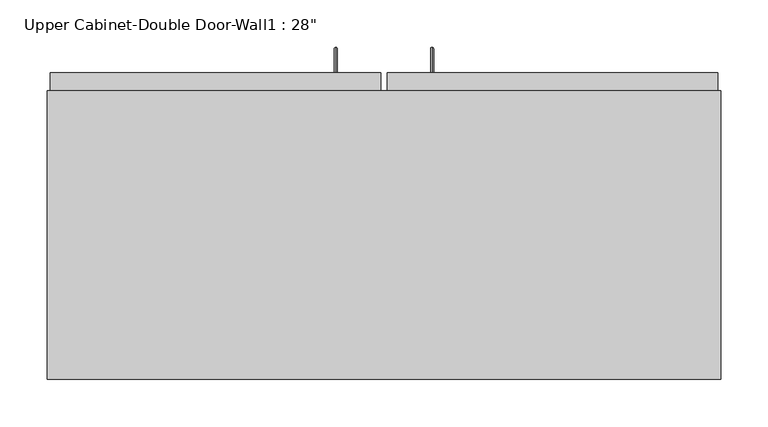
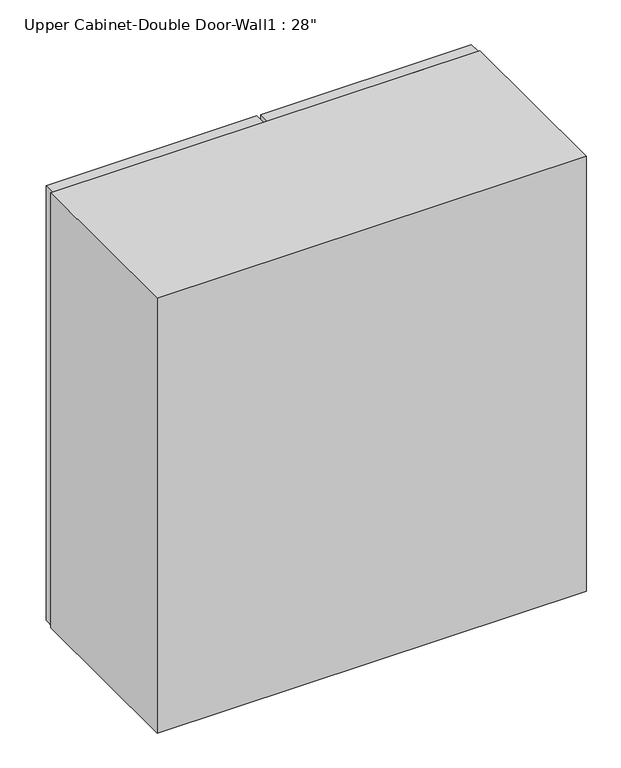
"""IFC4 building model written with IfcOpenShell, lengths in millimetres: furniture geometry."""

from ifc_helpers import new_model, si_unit, frame, origin, place, context, project, spatial, polyline, circle_curve, ellipse_curve, outline, extrude, faceted_brep, source, transform, mapped, element, save
from ifc_brep_helpers import plane_surface, cylinder_surface, advanced_brep


def furniture_48327c99(model_context):
    return source(origin(), model_context, "Body", "SolidModel", [
        advanced_brep(
        [(80.5132081, 385.7625, 1425.575), (80.5132081, 385.7625, 1422.4), (80.5132081, 409.575, 1425.575), (80.5132081, 412.75, 1422.4), (80.5132081, 409.575, 1597.025), (80.5132081, 412.75, 1600.2), (80.5132081, 385.7625, 1597.025), (80.5132081, 385.7625, 1600.2)],
        [
            (0, 1, circle_curve(frame((80.5132081, 385.7625, 1423.9875), z_axis=(0.0, -1.0, 0.0), x_axis=(0.0, 0.0, -1.0)), 1.5875)),
            (1, 0, circle_curve(frame((80.5132081, 385.7625, 1423.9875), z_axis=(0.0, -1.0, 0.0), x_axis=(0.0, 0.0, -1.0)), 1.5875)),
            (0, 2),
            (2, 3, ellipse_curve(frame((80.5132081, 411.1625, 1423.9875), z_axis=(0.0, -0.7071067811865536, -0.7071067811865416), x_axis=(0.0, -0.7071067811865415, 0.7071067811865536)), 2.245064, 1.5875)),
            (3, 1),
            (3, 2, ellipse_curve(frame((80.5132081, 411.1625, 1423.9875), z_axis=(0.0, -0.7071067811865536, -0.7071067811865416), x_axis=(0.0, -0.7071067811865415, 0.7071067811865536)), 2.245064, 1.5875)),
            (2, 4),
            (4, 5, ellipse_curve(frame((80.5132081, 411.1625, 1598.6125), z_axis=(0.0, 0.7071067811865415, -0.7071067811865535), x_axis=(0.0, -0.7071067811865533, -0.7071067811865418)), 2.245064, 1.5875)),
            (5, 3),
            (5, 4, ellipse_curve(frame((80.5132081, 411.1625, 1598.6125), z_axis=(0.0, 0.7071067811865415, -0.7071067811865535), x_axis=(0.0, -0.7071067811865533, -0.7071067811865418)), 2.245064, 1.5875)),
            (6, 7, circle_curve(frame((80.5132081, 385.7625, 1598.6125), z_axis=(0.0, -1.0, 0.0), x_axis=(0.0, 0.0, 1.0)), 1.5875)),
            (7, 6, circle_curve(frame((80.5132081, 385.7625, 1598.6125), z_axis=(0.0, -1.0, 0.0), x_axis=(0.0, 0.0, 1.0)), 1.5875)),
            (4, 6),
            (7, 5),
        ],
        [
            plane_surface(frame((80.5132081, 385.7625, 1423.9875), z_axis=(0.0, -1.0, 0.0), x_axis=(-1.0, 0.0, 0.0))),
            cylinder_surface(frame((80.5132081, 385.7625, 1423.9875), z_axis=(0.0, -1.0, 0.0), x_axis=(0.0, 0.0, -1.0)), 1.5875),
            cylinder_surface(frame((80.5132081, 411.1625, 1423.9875), z_axis=(0.0, 0.0, -1.0), x_axis=(0.0, 1.0, 0.0)), 1.5875),
            plane_surface(frame((80.5132081, 385.7625, 1598.6125), z_axis=(0.0, -1.0, 0.0), x_axis=(-1.0, 0.0, 0.0))),
            cylinder_surface(frame((80.5132081, 411.1625, 1598.6125), z_axis=(0.0, 1.0, 0.0), x_axis=(0.0, 0.0, 1.0)), 1.5875),
        ],
        [
            (0, [[1, 2]]),
            (1, [[-1, 3, 4, 5]]),
            (1, [[-2, -5, 6, -3]]),
            (2, [[-4, 7, 8, 9]]),
            (2, [[-6, -9, 10, -7]]),
            (3, [[11, 12]]),
            (4, [[-8, 13, -12, 14]]),
            (4, [[-10, -14, -11, -13]]),
        ],
    ),
        advanced_brep(
        [(-21.0867919, 385.7625, 1425.575), (-21.0867919, 385.7625, 1422.4), (-21.0867919, 409.575, 1425.575), (-21.0867919, 412.75, 1422.4), (-21.0867919, 409.575, 1597.025), (-21.0867919, 412.75, 1600.2), (-21.0867919, 385.7625, 1597.025), (-21.0867919, 385.7625, 1600.2)],
        [
            (0, 1, circle_curve(frame((-21.0867919, 385.7625, 1423.9875), z_axis=(0.0, -1.0, 0.0), x_axis=(0.0, 0.0, -1.0)), 1.5875)),
            (1, 0, circle_curve(frame((-21.0867919, 385.7625, 1423.9875), z_axis=(0.0, -1.0, 0.0), x_axis=(0.0, 0.0, -1.0)), 1.5875)),
            (0, 2),
            (2, 3, ellipse_curve(frame((-21.0867919, 411.1625, 1423.9875), z_axis=(0.0, -0.7071067811865536, -0.7071067811865414), x_axis=(0.0, -0.7071067811865416, 0.7071067811865535)), 2.245064, 1.5875)),
            (3, 1),
            (3, 2, ellipse_curve(frame((-21.0867919, 411.1625, 1423.9875), z_axis=(0.0, -0.7071067811865536, -0.7071067811865414), x_axis=(0.0, -0.7071067811865416, 0.7071067811865535)), 2.245064, 1.5875)),
            (2, 4),
            (4, 5, ellipse_curve(frame((-21.0867919, 411.1625, 1598.6125), z_axis=(0.0, 0.7071067811865415, -0.7071067811865535), x_axis=(0.0, -0.7071067811865533, -0.7071067811865416)), 2.245064, 1.5875)),
            (5, 3),
            (5, 4, ellipse_curve(frame((-21.0867919, 411.1625, 1598.6125), z_axis=(0.0, 0.7071067811865415, -0.7071067811865535), x_axis=(0.0, -0.7071067811865533, -0.7071067811865416)), 2.245064, 1.5875)),
            (6, 7, circle_curve(frame((-21.0867919, 385.7625, 1598.6125), z_axis=(0.0, -1.0, 0.0), x_axis=(0.0, 0.0, 1.0)), 1.5875)),
            (7, 6, circle_curve(frame((-21.0867919, 385.7625, 1598.6125), z_axis=(0.0, -1.0, 0.0), x_axis=(0.0, 0.0, 1.0)), 1.5875)),
            (4, 6),
            (7, 5),
        ],
        [
            plane_surface(frame((-21.0867919, 385.7625, 1423.9875), z_axis=(0.0, -1.0, 0.0), x_axis=(-1.0, 0.0, 0.0))),
            cylinder_surface(frame((-21.0867919, 385.7625, 1423.9875), z_axis=(0.0, -1.0, 0.0), x_axis=(0.0, 0.0, -1.0)), 1.5875),
            cylinder_surface(frame((-21.0867919, 411.1625, 1423.9875), z_axis=(0.0, 0.0, -1.0), x_axis=(0.0, 1.0, 0.0)), 1.5875),
            plane_surface(frame((-21.0867919, 385.7625, 1598.6125), z_axis=(0.0, -1.0, 0.0), x_axis=(-1.0, 0.0, 0.0))),
            cylinder_surface(frame((-21.0867919, 411.1625, 1598.6125), z_axis=(0.0, 1.0, 0.0), x_axis=(0.0, 0.0, 1.0)), 1.5875),
        ],
        [
            (0, [[1, 2]]),
            (1, [[-1, 3, 4, 5]]),
            (1, [[-2, -5, 6, -3]]),
            (2, [[-4, 7, 8, 9]]),
            (2, [[-6, -9, 10, -7]]),
            (3, [[11, 12]]),
            (4, [[-8, 13, -12, 14]]),
            (4, [[-10, -14, -11, -13]]),
        ],
    ),
        faceted_brep([(-325.8288372, 61.9125, 2133.6), (-325.8288372, 61.9125, 1371.6), (385.3711628, 61.9125, 1371.6), (385.3711628, 61.9125, 2133.6), (-325.8288372, 366.7125, 2133.6), (385.3711628, 366.7125, 2133.6), (385.3711628, 366.7125, 1371.6), (-325.8288372, 366.7125, 1371.6), (366.3211628, 366.7125, 2114.55), (55.1711628, 366.7125, 2114.55), (55.1711628, 366.7125, 1390.65), (366.3211628, 366.7125, 1390.65), (-306.7788372, 366.7125, 2114.55), (-306.7788372, 366.7125, 1390.65), (4.3711628, 366.7125, 1390.65), (4.3711628, 366.7125, 2114.55), (-306.7788372, 80.9625, 2114.55), (4.3711628, 347.6625, 2114.55), (55.1711628, 347.6625, 2114.55), (366.3211628, 80.9625, 2114.55), (366.3211628, 80.9625, 1390.65), (55.1711628, 347.6625, 1390.65), (4.3711628, 347.6625, 1390.65), (-306.7788372, 80.9625, 1390.65)], [[[0, 1, 2, 3]], [[4, 5, 6, 7], [8, 9, 10, 11], [12, 13, 14, 15]], [[1, 0, 4, 7]], [[2, 1, 7, 6]], [[3, 2, 6, 5]], [[0, 3, 5, 4]], [[16, 12, 15, 17, 18, 9, 8, 19]], [[8, 11, 20, 19]], [[20, 11, 10, 21, 22, 14, 13, 23]], [[13, 12, 16, 23]], [[16, 19, 20, 23]], [[18, 21, 10, 9]], [[15, 14, 22, 17]], [[21, 18, 17, 22]]]),
        extrude(outline(polyline([(32.9461628, 385.7625), (382.1961628, 385.7625), (382.1961628, 366.7125), (32.9461628, 366.7125), (32.9461628, 385.7625)])), frame((0.0, 0.0, 1371.6), z_axis=(0.0, 0.0, 1.0), x_axis=(1.0, 0.0, 0.0)), (0.0, 0.0, 1.0), 762.0),
        extrude(outline(polyline([(-322.6538372, 385.7625), (26.5961628, 385.7625), (26.5961628, 366.7125), (-322.6538372, 366.7125), (-322.6538372, 385.7625)])), frame((0.0, 0.0, 1371.6), z_axis=(0.0, 0.0, 1.0), x_axis=(1.0, 0.0, 0.0)), (0.0, 0.0, 1.0), 762.0),
        extrude(outline(polyline([(366.3211628, 347.6625), (366.3211628, 80.9625), (-306.7788372, 80.9625), (-306.7788372, 347.6625), (366.3211628, 347.6625)])), frame((0.0, 0.0, 1951.0326388), z_axis=(0.0, 0.0, 1.0), x_axis=(1.0, 0.0, 0.0)), (0.0, 0.0, 1.0), 12.7),
        extrude(outline(polyline([(366.3211628, 347.6625), (366.3211628, 80.9625), (-306.7788372, 80.9625), (-306.7788372, 347.6625), (366.3211628, 347.6625)])), frame((0.0, 0.0, 1773.2326388), z_axis=(0.0, 0.0, 1.0), x_axis=(1.0, 0.0, 0.0)), (0.0, 0.0, 1.0), 12.7),
        extrude(outline(polyline([(366.3211628, 347.6625), (366.3211628, 80.9625), (-306.7788372, 80.9625), (-306.7788372, 347.6625), (366.3211628, 347.6625)])), frame((0.0, 0.0, 1595.4326388), z_axis=(0.0, 0.0, 1.0), x_axis=(1.0, 0.0, 0.0)), (0.0, 0.0, 1.0), 12.7),
    ])


if __name__ == "__main__":
    model = new_model("IFC4")
    model_context = context("Model", 3, world=origin())
    ifc_project = project(units=[si_unit("LENGTHUNIT", "METRE", prefix="MILLI")], contexts=[model_context])
    site = spatial("IfcSite", under=ifc_project)
    building = spatial("IfcBuilding", under=site)
    placement = place(None, origin())
    furniture_shape = furniture_48327c99(model_context)
    element("IfcFurniture", 1, ObjectType="Upper Cabinet-Double Door-Wall1 : 28\"", at=placement, inside=building, context=model_context, shape_type="MappedRepresentation", body=[
        mapped(furniture_shape, transform((0.0, 0.0, 0.0), x_axis=(1.0, 0.0, 0.0), y_axis=(0.0, 1.0, 0.0), z_axis=(0.0, 0.0, 1.0))),
    ])
    save(model, "model.ifc")
